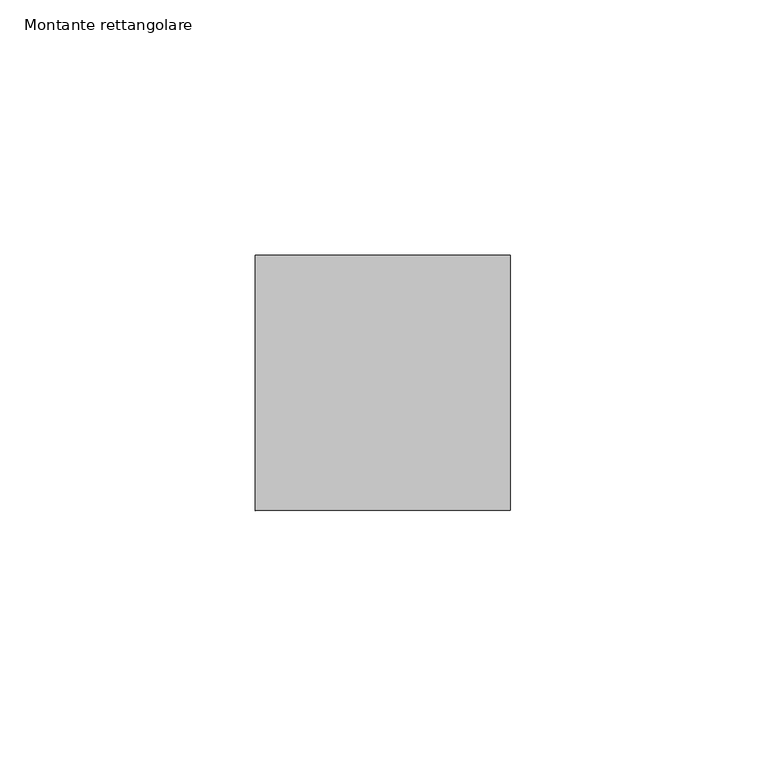
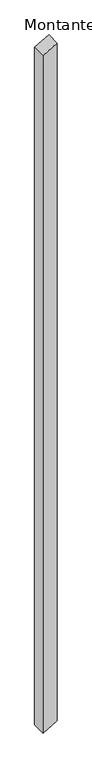
"""IFC4 building model written with IfcOpenShell, lengths in millimetres: member geometry, Montante rettangolare."""

from ifc_helpers import new_model, si_unit, frame, origin, place, context, project, spatial, polyline, outline, extrude, source, transform, mapped, element, save


def montante_rettangolare_1195a0b9(model_context):
    return source(origin(), model_context, "Body", "SweptSolid", [
        extrude(outline(polyline([(-2.939006, 25.0), (-32.3912568, -25.0), (-2560.3637629, -25.0), (-2530.911512, 25.0), (-2.939006, 25.0)])), frame((0.0, -25.0, 0.0), z_axis=(0.0, 1.0, 0.0), x_axis=(0.0, 0.0, 1.0)), (0.0, 0.0, 1.0), 50.0),
    ])


if __name__ == "__main__":
    model = new_model("IFC4")
    model_context = context("Model", 3, world=origin())
    ifc_project = project(units=[si_unit("LENGTHUNIT", "METRE", prefix="MILLI")], contexts=[model_context])
    site = spatial("IfcSite", under=ifc_project)
    building = spatial("IfcBuilding", under=site)
    placement = place(None, origin())
    montante_rettangolare_shape = montante_rettangolare_1195a0b9(model_context)
    element("IfcMember", 1, ObjectType="Montante rettangolare", at=placement, inside=building, context=model_context, shape_type="MappedRepresentation", body=[
        mapped(montante_rettangolare_shape, transform((0.0, 0.0, 0.0), x_axis=(1.0, 0.0, 0.0), y_axis=(0.0, 1.0, 0.0), z_axis=(0.0, 0.0, 1.0))),
    ])
    save(model, "model.ifc")
